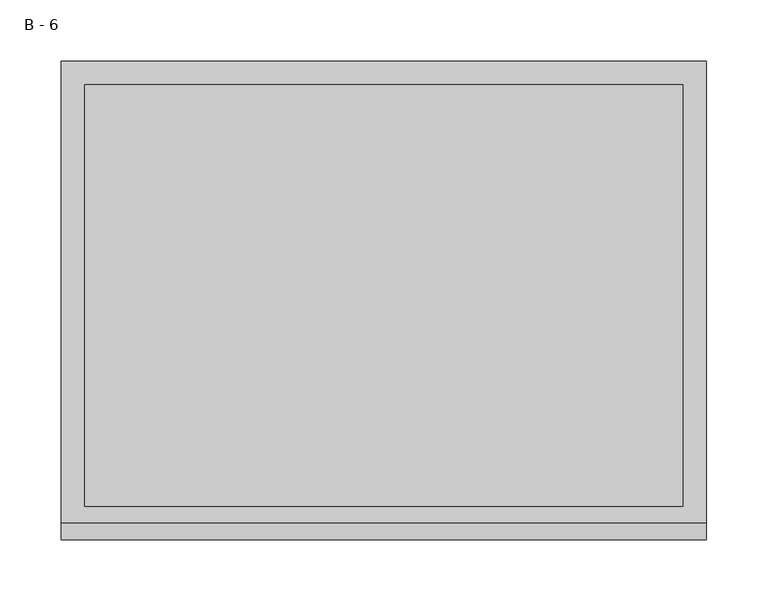
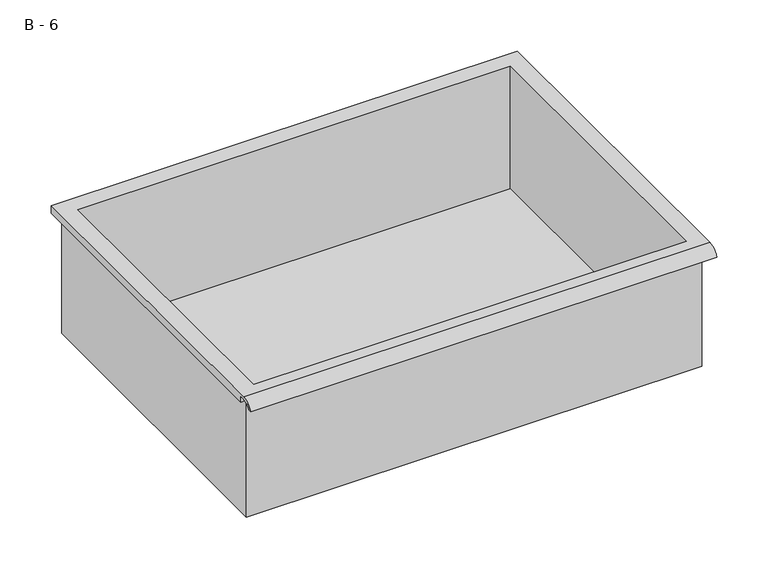
"""IFC4 building model written with IfcOpenShell, lengths in millimetres: furniture geometry, B - 6."""

from ifc_helpers import new_model, si_unit, frame, origin, place, context, project, spatial, polyline, circle_curve, source, transform, mapped, element, save
from ifc_brep_helpers import plane_surface, cylinder_surface, revolved_surface, advanced_brep


def b_6_4d54067f(model_context):
    return source(origin(), model_context, "Body", "AdvancedBrep", [
        advanced_brep(
        [(-257.1076517, -176.2125, 312.928), (257.2423483, -176.2125, 312.928), (257.2423483, -176.2125, 452.628), (263.5923483, -176.2125, 452.628), (263.5923483, -176.2125, 458.9351341), (-263.4576517, -176.2125, 458.9351341), (-263.4576517, -176.2125, 452.628), (-257.1076517, -176.2125, 452.628), (257.2423483, 185.7375, 312.928), (-257.1076517, 185.7375, 312.928), (-257.1076517, 185.7375, 452.628), (257.2423483, 185.7375, 452.628), (263.5923483, -181.6070544, 462.153), (263.5923483, 195.2625, 462.153), (-263.4576517, 195.2625, 462.153), (-263.4576517, -181.6070544, 462.153), (244.5423483, -168.275, 462.153), (-244.4076517, -168.275, 462.153), (-244.4076517, 176.2125, 462.153), (244.5423483, 176.2125, 462.153), (263.5923483, -195.2625, 452.628), (263.5923483, -191.8280601, 452.628), (263.5923483, -180.4714815, 458.9351341), (263.5923483, 195.2625, 452.628), (-263.4576517, 195.2625, 452.628), (-263.4576517, -180.4714815, 458.9351341), (-263.4576517, -191.8280601, 452.628), (-263.4576517, -195.2625, 452.628), (-244.4076517, -168.275, 315.9541719), (244.5423483, -168.275, 315.9541719), (244.5423483, 176.2125, 315.9541719), (-244.4076517, 176.2125, 315.9541719)],
        [
            (0, 1),
            (1, 2),
            (2, 3),
            (3, 4),
            (4, 5),
            (5, 6),
            (6, 7),
            (7, 0),
            (8, 9),
            (9, 10),
            (10, 11),
            (11, 8),
            (0, 9),
            (8, 1),
            (11, 2),
            (12, 13),
            (13, 14),
            (14, 15),
            (15, 12),
            (16, 17),
            (17, 18),
            (18, 19),
            (19, 16),
            (7, 10),
            (12, 20, circle_curve(frame((263.5923483, -181.6070544, 447.6019859), z_axis=(1.0, 0.0, 0.0), x_axis=(0.0, 1.0, 0.0)), 14.5510141)),
            (20, 21),
            (21, 22, circle_curve(frame((263.5923483, -181.6070544, 447.6019859), z_axis=(-1.0, 0.0, 0.0), x_axis=(0.0, 1.0, 0.0)), 11.3898979)),
            (22, 4),
            (3, 23),
            (23, 13),
            (14, 24),
            (24, 6),
            (5, 25),
            (25, 26, circle_curve(frame((-263.4576517, -181.6070544, 447.6019859), z_axis=(1.0, 0.0, 0.0), x_axis=(0.0, 1.0, 0.0)), 11.3898979)),
            (26, 27),
            (27, 15, circle_curve(frame((-263.4576517, -181.6070544, 447.6019859), z_axis=(-1.0, 0.0, 0.0), x_axis=(0.0, 1.0, 0.0)), 14.5510141)),
            (27, 20),
            (26, 21),
            (25, 22),
            (24, 23),
            (28, 29),
            (29, 30),
            (30, 31),
            (31, 28),
            (28, 17),
            (16, 29),
            (19, 30),
            (18, 31),
        ],
        [
            plane_surface(frame((257.2423483, -176.2125, 312.928), z_axis=(0.0, -1.0, 0.0), x_axis=(1.0, 0.0, 0.0))),
            plane_surface(frame((257.2423483, 185.7375, 312.928), z_axis=(0.0, 1.0, 0.0), x_axis=(-1.0, 0.0, 0.0))),
            plane_surface(frame((-257.1076517, -176.2125, 312.928), z_axis=(0.0, 0.0, -1.0), x_axis=(0.0, 1.0, 0.0))),
            plane_surface(frame((257.2423483, -176.2125, 312.928), z_axis=(1.0, 0.0, 0.0), x_axis=(0.0, 1.0, 0.0))),
            plane_surface(frame((257.2423483, -176.2125, 462.153), z_axis=(0.0, 0.0, 1.0), x_axis=(0.0, 1.0, 0.0))),
            plane_surface(frame((-257.1076517, -176.2125, 462.153), z_axis=(-1.0, 0.0, 0.0), x_axis=(0.0, 1.0, 0.0))),
            plane_surface(frame((263.5923483, 195.2625, 462.153), z_axis=(1.0, 0.0, 0.0), x_axis=(0.0, -1.0, 0.0))),
            plane_surface(frame((-263.4576517, 195.2625, 462.153), z_axis=(-1.0, 0.0, 0.0), x_axis=(0.0, 1.0, 0.0))),
            cylinder_surface(frame((-263.4576517, -181.6070544, 447.6019859), z_axis=(1.0, 0.0, 0.0), x_axis=(0.0, 1.0, 0.0)), 14.5510141),
            plane_surface(frame((263.5923483, -195.2625, 452.628), z_axis=(0.0, -7.212409108515967e-12, -1.0), x_axis=(-1.0, 0.0, 0.0))),
            revolved_surface(polyline([(-263.4576517, -170.21715650000002, 447.6019859), (263.59234829999997, -170.21715650000002, 447.6019859)]), (-263.4576517, -181.6070544, 447.6019859), (-1.0, 0.0, 0.0)),
            plane_surface(frame((263.5923483, -180.4714815, 458.9351341), z_axis=(0.0, -1.7845519329779274e-11, -1.0), x_axis=(-1.0, 0.0, 0.0))),
            plane_surface(frame((263.5923483, -176.2125, 452.628), z_axis=(0.0, 0.0, -1.0), x_axis=(-1.0, 0.0, 0.0))),
            plane_surface(frame((263.5923483, 195.2625, 452.628), z_axis=(0.0, 1.0, 0.0), x_axis=(-1.0, 0.0, 0.0))),
            plane_surface(frame((244.5423483, -168.275, 315.9541719), z_axis=(0.0, 0.0, 1.0), x_axis=(-1.0, 0.0, 0.0))),
            plane_surface(frame((-244.4076517, -168.275, 462.153), z_axis=(0.0, 1.0, 0.0), x_axis=(0.0, 0.0, -1.0))),
            plane_surface(frame((244.5423483, -168.275, 462.153), z_axis=(-1.0, 0.0, 0.0), x_axis=(0.0, 0.0, -1.0))),
            plane_surface(frame((244.5423483, 176.2125, 462.153), z_axis=(0.0, -1.0, 0.0), x_axis=(0.0, 0.0, -1.0))),
            plane_surface(frame((-244.4076517, 176.2125, 462.153), z_axis=(1.0, 0.0, 0.0), x_axis=(0.0, 0.0, -1.0))),
        ],
        [
            (0, [[1, 2, 3, 4, 5, 6, 7, 8]]),
            (1, [[9, 10, 11, 12]]),
            (2, [[-1, 13, -9, 14]]),
            (3, [[-14, -12, 15, -2]]),
            (4, [[16, 17, 18, 19], [20, 21, 22, 23]]),
            (5, [[-13, -8, 24, -10]]),
            (6, [[-16, 25, 26, 27, 28, -4, 29, 30]]),
            (7, [[31, 32, -6, 33, 34, 35, 36, -18]]),
            (8, [[-25, -19, -36, 37]]),
            (9, [[-26, -37, -35, 38]]),
            (10, [[-27, -38, -34, 39]]),
            (11, [[-28, -39, -33, -5]]),
            (12, [[-29, -3, -15, -11, -24, -7, -32, 40]]),
            (13, [[-30, -40, -31, -17]]),
            (14, [[41, 42, 43, 44]]),
            (15, [[-41, 45, -20, 46]]),
            (16, [[-42, -46, -23, 47]]),
            (17, [[-43, -47, -22, 48]]),
            (18, [[-44, -48, -21, -45]]),
        ],
    ),
    ])


if __name__ == "__main__":
    model = new_model("IFC4")
    model_context = context("Model", 3, world=origin())
    ifc_project = project(units=[si_unit("LENGTHUNIT", "METRE", prefix="MILLI")], contexts=[model_context])
    site = spatial("IfcSite", under=ifc_project)
    building = spatial("IfcBuilding", under=site)
    placement = place(None, origin())
    b_6_shape = b_6_4d54067f(model_context)
    element("IfcFurniture", 1, ObjectType="B - 6", at=placement, inside=building, context=model_context, shape_type="MappedRepresentation", body=[
        mapped(b_6_shape, transform((0.0, 0.0, 0.0), x_axis=(1.0, 0.0, 0.0), y_axis=(0.0, 1.0, 0.0), z_axis=(0.0, 0.0, 1.0))),
    ])
    save(model, "model.ifc")
